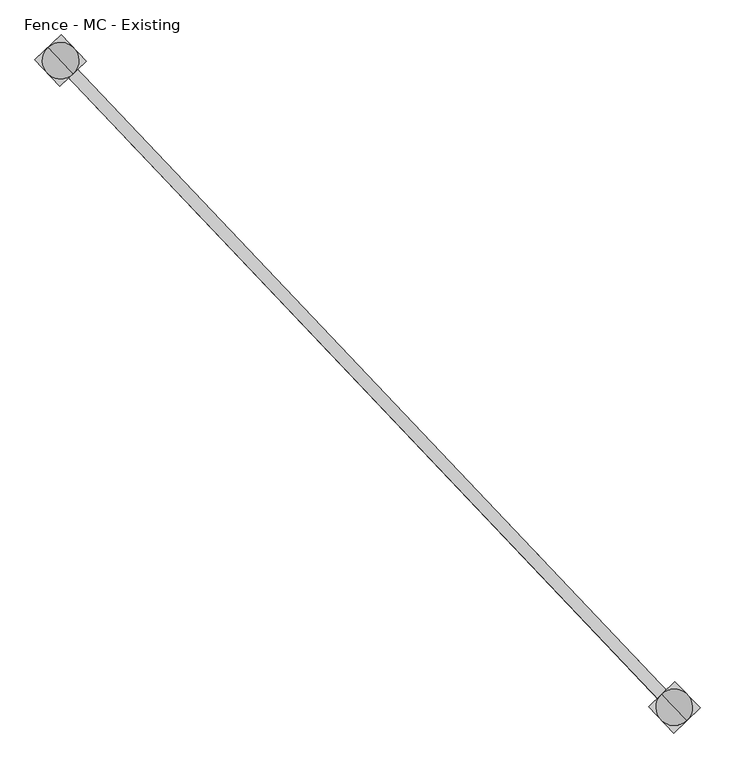
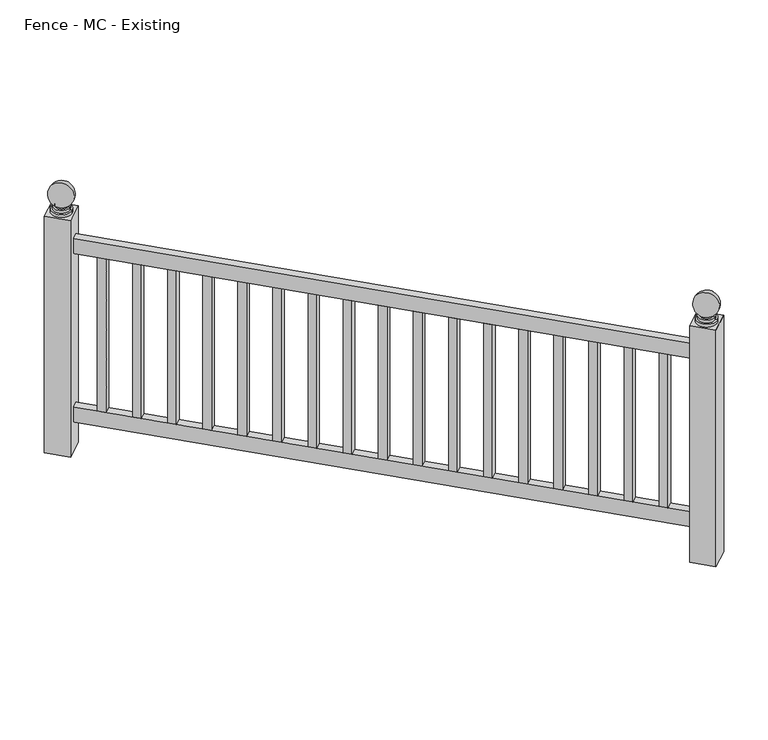
"""IFC4 building model written with IfcOpenShell, lengths in millimetres: railing geometry, Fence - MC - Existing."""

import ifcopenshell
import ifcopenshell.guid

model = None  # the IFC model being written
_history = None  # IfcOwnerHistory: only IFC2X3 demands one
_inside = {}  # id of a spatial element -> (the spatial element, [elements in it])
_under = {}  # id of a project, library or spatial element -> (it, [spatial elements below it])
_declared = {}  # id of a project -> (the project, [libraries it declares])
_typed = {}  # id of a type object -> (the type object, [elements of that type])
_made_of = {}  # id of a material, layer set ... -> (it, [elements and type objects made of it])


def new_model(schema):
    """Start an empty IFC model of exactly this schema.

    Asked for "IFC4X3", IfcOpenShell would pick the latest addendum, in which some entities
    have other attributes; the version numbers below select the first issue.
    IFC2X3 requires an IfcOwnerHistory on every rooted entity: one is made here for all.
    """
    global model, _history
    if schema == "IFC4X3":
        model = ifcopenshell.file(schema_version=(4, 3, 0, 0))
    else:
        model = ifcopenshell.file(schema=schema)
    _inside.clear()
    _under.clear()
    _declared.clear()
    _typed.clear()
    _made_of.clear()
    _history = None
    if model.schema == "IFC2X3":
        org = make("IfcOrganization", Name="unknown")
        user = make(
            "IfcPersonAndOrganization",
            ThePerson=make("IfcPerson", FamilyName="unknown"),
            TheOrganization=org,
        )
        app = make(
            "IfcApplication",
            ApplicationDeveloper=org,
            Version="unknown",
            ApplicationFullName="unknown",
            ApplicationIdentifier="unknown",
        )
        _history = make(
            "IfcOwnerHistory",
            OwningUser=user,
            OwningApplication=app,
            ChangeAction="ADDED",
            CreationDate=0,
        )
    return model


def make(cls, **values):
    """One entity of the class cls with the attributes given. An attribute that is None is left unset."""
    return model.create_entity(
        cls, **{name: value for name, value in values.items() if value is not None}
    )


def rooted(cls, **values):
    """An entity with a GlobalId (a new one), such as an element, a storey or a relation."""
    return make(cls, GlobalId=ifcopenshell.guid.new(), OwnerHistory=_history, **values)


def si_unit(unit_type, name, prefix=None):
    """IfcSIUnit, for example si_unit("LENGTHUNIT", "METRE", prefix="MILLI")."""
    return make("IfcSIUnit", UnitType=unit_type, Prefix=prefix, Name=name)


def assignment(units):
    """IfcUnitAssignment: the units of a project."""
    return None if units is None else make("IfcUnitAssignment", Units=units)


def point(xyz):
    """IfcCartesianPoint."""
    return None if xyz is None else make("IfcCartesianPoint", Coordinates=xyz)


def direction(xyz):
    """IfcDirection."""
    return None if xyz is None else make("IfcDirection", DirectionRatios=xyz)


def frame(location, z_axis=None, x_axis=None):
    """IfcAxis2Placement3D, a coordinate frame: its origin and axes. An axis left out is left unset."""
    return make(
        "IfcAxis2Placement3D",
        Location=point(location),
        Axis=direction(z_axis),
        RefDirection=direction(x_axis),
    )


def origin():
    """The frame at (0, 0, 0) with its axes left unset."""
    return frame((0.0, 0.0, 0.0))


def place(relative_to, where):
    """IfcLocalPlacement: puts the frame where relative to a parent placement (None: the world)."""
    return make(
        "IfcLocalPlacement", PlacementRelTo=relative_to, RelativePlacement=where
    )


def context(
    kind, dimensions, precision=None, world=None, true_north=None, identifier=None
):
    """IfcGeometricRepresentationContext, for example the 3D "Model" context."""
    return make(
        "IfcGeometricRepresentationContext",
        ContextIdentifier=identifier,
        ContextType=kind,
        CoordinateSpaceDimension=dimensions,
        Precision=precision,
        WorldCoordinateSystem=world,
        TrueNorth=true_north,
    )


def project(units=None, contexts=None):
    """IfcProject with its units and contexts."""
    return rooted(
        "IfcProject",
        Name="project",
        RepresentationContexts=contexts,
        UnitsInContext=assignment(units),
    )


def spatial(cls, under=None, at=None, **own):
    """A site, building, storey or space (cls), placed at a placement, below another one or the project."""
    s = rooted(cls, ObjectPlacement=at, **own)
    if under is not None:
        _under.setdefault(under.id(), (under, []))[1].append(s)
    return s


def polyline(points):
    """IfcPolyline through the points."""
    return make("IfcPolyline", Points=[point(p) for p in points])


def circle_curve(where, radius):
    """IfcCircle in the frame where."""
    return make("IfcCircle", Position=where, Radius=radius)


def ellipse_curve(where, semi_axis1, semi_axis2):
    """IfcEllipse in the frame where."""
    return make(
        "IfcEllipse", Position=where, SemiAxis1=semi_axis1, SemiAxis2=semi_axis2
    )


def trimmed(basis, trim1, trim2, sense, master):
    """IfcTrimmedCurve: the piece of a basis curve between two trims."""
    return make(
        "IfcTrimmedCurve",
        BasisCurve=basis,
        Trim1=trim1,
        Trim2=trim2,
        SenseAgreement=sense,
        MasterRepresentation=master,
    )


def outline(outer, holes=None, kind="AREA"):
    """IfcArbitraryClosedProfileDef: a profile drawn as a closed curve; with holes, ...WithVoids."""
    if holes is None:
        return make("IfcArbitraryClosedProfileDef", ProfileType=kind, OuterCurve=outer)
    return make(
        "IfcArbitraryProfileDefWithVoids",
        ProfileType=kind,
        OuterCurve=outer,
        InnerCurves=holes,
    )


def extrude(swept, where, along, depth):
    """IfcExtrudedAreaSolid: the profile swept, set in the frame where, extruded along a direction by depth."""
    return make(
        "IfcExtrudedAreaSolid",
        SweptArea=swept,
        Position=where,
        ExtrudedDirection=direction(along),
        Depth=depth,
    )


def shape(context_of_items, identifier, shape_type, items):
    """IfcShapeRepresentation: the items that make up one representation, for example the "Body"."""
    return make(
        "IfcShapeRepresentation",
        ContextOfItems=context_of_items,
        RepresentationIdentifier=identifier,
        RepresentationType=shape_type,
        Items=items,
    )


def source(mapping_origin, context_of_items, identifier, shape_type, items):
    """IfcRepresentationMap: a shape defined once, which mapped items show again and again."""
    return make(
        "IfcRepresentationMap",
        MappingOrigin=mapping_origin,
        MappedRepresentation=shape(context_of_items, identifier, shape_type, items),
    )


def transform(
    local_origin,
    x_axis=None,
    y_axis=None,
    z_axis=None,
    scale=None,
    scale2=None,
    scale3=None,
    uniform=True,
):
    """IfcCartesianTransformationOperator3D, or its non-uniform kind. x_axis, y_axis, z_axis: its Axis1, 2, 3."""
    if uniform:
        return make(
            "IfcCartesianTransformationOperator3D",
            Axis1=direction(x_axis),
            Axis2=direction(y_axis),
            LocalOrigin=point(local_origin),
            Scale=scale,
            Axis3=direction(z_axis),
        )
    return make(
        "IfcCartesianTransformationOperator3DnonUniform",
        Axis1=direction(x_axis),
        Axis2=direction(y_axis),
        LocalOrigin=point(local_origin),
        Scale=scale,
        Axis3=direction(z_axis),
        Scale2=scale2,
        Scale3=scale3,
    )


def mapped(mapping_source, mapping_target):
    """IfcMappedItem: shows the shape of a source again, moved by a transform."""
    return make(
        "IfcMappedItem", MappingSource=mapping_source, MappingTarget=mapping_target
    )


def made_of(thing, what):
    """Note that an element or type object is made of a material, layer set ...; save() writes the relation."""
    if what is not None:
        _made_of.setdefault(what.id(), (what, []))[1].append(thing)
    return thing


def element(
    cls,
    number,
    at=None,
    inside=None,
    cuts=None,
    type_object=None,
    material=None,
    context=None,
    identifier="Body",
    shape_type=None,
    held_by="IfcProductDefinitionShape",
    body=None,
    shapes=None,
    **own,
):
    """One element of the class cls, such as IfcWall. Its Tag is "e" and its number.

    at: its placement. inside: the storey or other place that contains it. cuts: it is an
    opening in that element (IfcRelVoidsElement). A single representation is given by context,
    identifier, shape_type and body (its items); several are given by shapes. held_by: the class
    of the entity that holds the representations. save() writes the other relations.
    """
    e = rooted(cls, Tag="e%d" % number, ObjectPlacement=at, **own)
    if body is not None:
        shapes = [shape(context, identifier, shape_type, body)]
    if shapes is not None:
        e.Representation = make(held_by, Representations=shapes)
    if inside is not None:
        _inside.setdefault(inside.id(), (inside, []))[1].append(e)
    if cuts is not None:
        rooted(
            "IfcRelVoidsElement", RelatingBuildingElement=cuts, RelatedOpeningElement=e
        )
    if type_object is not None:
        _typed.setdefault(type_object.id(), (type_object, []))[1].append(e)
    return made_of(e, material)


def aggregate(whole, parts):
    """IfcRelAggregates: a whole, such as a stair, and the parts it consists of."""
    return rooted("IfcRelAggregates", RelatingObject=whole, RelatedObjects=parts)


def save(model, path):
    """Write the relations noted so far, then the file.

    IfcRelAggregates (storeys below a building ...), IfcRelContainedInSpatialStructure (elements
    in a storey), IfcRelDefinesByType, IfcRelAssociatesMaterial and IfcRelDeclares: one each for
    every whole, place, type object, material and project.
    """
    for whole, parts in _under.values():
        aggregate(whole, parts)
    for where, things in _inside.values():
        rooted(
            "IfcRelContainedInSpatialStructure",
            RelatedElements=things,
            RelatingStructure=where,
        )
    for kind, things in _typed.values():
        rooted("IfcRelDefinesByType", RelatedObjects=things, RelatingType=kind)
    for what, things in _made_of.values():
        rooted("IfcRelAssociatesMaterial", RelatedObjects=things, RelatingMaterial=what)
    for by, libraries in _declared.values():
        rooted("IfcRelDeclares", RelatingContext=by, RelatedDefinitions=libraries)
    model.write(path)


def plane_surface(at):
    """IfcPlane: the flat surface through the origin of the frame at, square to its z axis."""
    return make("IfcPlane", Position=at)


def cylinder_surface(at, radius):
    """IfcCylindricalSurface: all points at the distance radius from the z axis of the frame at."""
    return make("IfcCylindricalSurface", Position=at, Radius=radius)


def revolved_surface(curve, axis_point, axis_direction):
    """IfcSurfaceOfRevolution: the curve turned about the line through axis_point along axis_direction."""
    return make(
        "IfcSurfaceOfRevolution",
        SweptCurve=make("IfcArbitraryOpenProfileDef", ProfileType="CURVE", Curve=curve),
        AxisPosition=make("IfcAxis1Placement", Location=point(axis_point), Axis=direction(axis_direction)),
    )


def advanced_brep(points, edges, surfaces, faces):
    """IfcAdvancedBrep: a solid bounded by faces that lie on surfaces and meet in shared edges.

    An edge is (start, end): straight between two places in points (the first is 0);
    or (start, end, curve); or (start, end, curve, False) where it runs against its curve.
    A face is (place in surfaces, loops), or (place, loops, False) where it looks against
    its surface's normal. A loop lists edges by number (the first is 1), with a minus sign
    where the edge is run from its end to its start. The first loop is the outer one.
    """
    corners = [point(p) for p in points]
    vertices = [make("IfcVertexPoint", VertexGeometry=c) for c in corners]
    made = []
    for start, end, *more in edges:
        made.append(
            make(
                "IfcEdgeCurve",
                EdgeStart=vertices[start],
                EdgeEnd=vertices[end],
                EdgeGeometry=more[0] if more else make("IfcPolyline", Points=[corners[start], corners[end]]),
                SameSense=more[1] if len(more) > 1 else True,
            )
        )
    hull = []
    for where, loops, *sense in faces:
        bounds = []
        for j, loop in enumerate(loops):
            ring = [make("IfcOrientedEdge", EdgeElement=made[abs(k) - 1], Orientation=k > 0) for k in loop]
            bounds.append(
                make(
                    "IfcFaceOuterBound" if j == 0 else "IfcFaceBound",
                    Bound=make("IfcEdgeLoop", EdgeList=ring),
                    Orientation=True,
                )
            )
        hull.append(make("IfcAdvancedFace", Bounds=bounds, FaceSurface=surfaces[where], SameSense=sense[0] if sense else True))
    return make("IfcAdvancedBrep", Outer=make("IfcClosedShell", CfsFaces=hull))


def fence_mc_existing_47779c34(model_context):
    return source(origin(), model_context, "Body", "SolidModel", [
        extrude(outline(polyline([(117284.4038622, 51863.6124569), (117265.9793531, 51846.1282507), (115980.8901958, 53200.3296639), (115999.3147048, 53217.8138701), (117284.4038622, 51863.6124569)])), frame((0.0, 0.0, 27660.6), z_axis=(0.0, 0.0, 1.0), x_axis=(1.0, 0.0, 0.0)), (0.0, 0.0, 1.0), 50.8),
        extrude(outline(polyline([(117284.4038622, 51863.6124569), (117265.9793531, 51846.1282507), (115980.8901958, 53200.3296639), (115999.3147048, 53217.8138701), (117284.4038622, 51863.6124569)])), frame((0.0, 0.0, 27089.1), z_axis=(0.0, 0.0, 1.0), x_axis=(1.0, 0.0, 0.0)), (0.0, 0.0, 1.0), 50.8),
        extrude(outline(polyline([(116021.1699626, 53194.7832339), (116002.7454536, 53177.2990276), (115985.2612473, 53195.7235367), (116003.6857564, 53213.2077429), (116021.1699626, 53194.7832339)])), frame((0.0, 0.0, 27139.9), z_axis=(0.0, 0.0, 1.0), x_axis=(1.0, 0.0, 0.0)), (0.0, 0.0, 1.0), 520.7),
        extrude(outline(polyline([(116091.1067875, 53121.0851978), (116072.6822784, 53103.6009915), (116055.1980722, 53122.0255006), (116073.6225812, 53139.5097068), (116091.1067875, 53121.0851978)])), frame((0.0, 0.0, 27139.9), z_axis=(0.0, 0.0, 1.0), x_axis=(1.0, 0.0, 0.0)), (0.0, 0.0, 1.0), 520.7),
        extrude(outline(polyline([(116161.0436124, 53047.3871617), (116142.6191033, 53029.9029554), (116125.1348971, 53048.3274645), (116143.5594061, 53065.8116707), (116161.0436124, 53047.3871617)])), frame((0.0, 0.0, 27139.9), z_axis=(0.0, 0.0, 1.0), x_axis=(1.0, 0.0, 0.0)), (0.0, 0.0, 1.0), 520.7),
        extrude(outline(polyline([(116230.9804372, 52973.6891256), (116212.5559282, 52956.2049193), (116195.071722, 52974.6294284), (116213.496231, 52992.1136346), (116230.9804372, 52973.6891256)])), frame((0.0, 0.0, 27139.9), z_axis=(0.0, 0.0, 1.0), x_axis=(1.0, 0.0, 0.0)), (0.0, 0.0, 1.0), 520.7),
        extrude(outline(polyline([(116300.9172621, 52899.9910895), (116282.4927531, 52882.5068832), (116265.0085469, 52900.9313923), (116283.4330559, 52918.4155985), (116300.9172621, 52899.9910895)])), frame((0.0, 0.0, 27139.9), z_axis=(0.0, 0.0, 1.0), x_axis=(1.0, 0.0, 0.0)), (0.0, 0.0, 1.0), 520.7),
        extrude(outline(polyline([(116370.854087, 52826.2930534), (116352.429578, 52808.8088472), (116334.9453718, 52827.2333562), (116353.3698808, 52844.7175624), (116370.854087, 52826.2930534)])), frame((0.0, 0.0, 27139.9), z_axis=(0.0, 0.0, 1.0), x_axis=(1.0, 0.0, 0.0)), (0.0, 0.0, 1.0), 520.7),
        extrude(outline(polyline([(116440.7909119, 52752.5950173), (116422.3664029, 52735.1108111), (116404.8821967, 52753.5353201), (116423.3067057, 52771.0195263), (116440.7909119, 52752.5950173)])), frame((0.0, 0.0, 27139.9), z_axis=(0.0, 0.0, 1.0), x_axis=(1.0, 0.0, 0.0)), (0.0, 0.0, 1.0), 520.7),
        extrude(outline(polyline([(116510.7277368, 52678.8969812), (116492.3032278, 52661.412775), (116474.8190216, 52679.837284), (116493.2435306, 52697.3214902), (116510.7277368, 52678.8969812)])), frame((0.0, 0.0, 27139.9), z_axis=(0.0, 0.0, 1.0), x_axis=(1.0, 0.0, 0.0)), (0.0, 0.0, 1.0), 520.7),
        extrude(outline(polyline([(116580.6645617, 52605.1989451), (116562.2400527, 52587.7147389), (116544.7558465, 52606.1392479), (116563.1803555, 52623.6234541), (116580.6645617, 52605.1989451)])), frame((0.0, 0.0, 27139.9), z_axis=(0.0, 0.0, 1.0), x_axis=(1.0, 0.0, 0.0)), (0.0, 0.0, 1.0), 520.7),
        extrude(outline(polyline([(116650.6013866, 52531.500909), (116632.1768776, 52514.0167028), (116614.6926713, 52532.4412118), (116633.1171804, 52549.925418), (116650.6013866, 52531.500909)])), frame((0.0, 0.0, 27139.9), z_axis=(0.0, 0.0, 1.0), x_axis=(1.0, 0.0, 0.0)), (0.0, 0.0, 1.0), 520.7),
        extrude(outline(polyline([(116720.5382115, 52457.8028729), (116702.1137025, 52440.3186667), (116684.6294962, 52458.7431757), (116703.0540053, 52476.2273819), (116720.5382115, 52457.8028729)])), frame((0.0, 0.0, 27139.9), z_axis=(0.0, 0.0, 1.0), x_axis=(1.0, 0.0, 0.0)), (0.0, 0.0, 1.0), 520.7),
        extrude(outline(polyline([(116790.4750364, 52384.1048368), (116772.0505273, 52366.6206306), (116754.5663211, 52385.0451396), (116772.9908302, 52402.5293458), (116790.4750364, 52384.1048368)])), frame((0.0, 0.0, 27139.9), z_axis=(0.0, 0.0, 1.0), x_axis=(1.0, 0.0, 0.0)), (0.0, 0.0, 1.0), 520.7),
        extrude(outline(polyline([(116860.4118613, 52310.4068007), (116841.9873522, 52292.9225945), (116824.503146, 52311.3471035), (116842.927655, 52328.8313097), (116860.4118613, 52310.4068007)])), frame((0.0, 0.0, 27139.9), z_axis=(0.0, 0.0, 1.0), x_axis=(1.0, 0.0, 0.0)), (0.0, 0.0, 1.0), 520.7),
        extrude(outline(polyline([(116930.3486862, 52236.7087646), (116911.9241771, 52219.2245584), (116894.4399709, 52237.6490674), (116912.8644799, 52255.1332736), (116930.3486862, 52236.7087646)])), frame((0.0, 0.0, 27139.9), z_axis=(0.0, 0.0, 1.0), x_axis=(1.0, 0.0, 0.0)), (0.0, 0.0, 1.0), 520.7),
        extrude(outline(polyline([(117000.285511, 52163.0107285), (116981.861002, 52145.5265223), (116964.3767958, 52163.9510313), (116982.8013048, 52181.4352375), (117000.285511, 52163.0107285)])), frame((0.0, 0.0, 27139.9), z_axis=(0.0, 0.0, 1.0), x_axis=(1.0, 0.0, 0.0)), (0.0, 0.0, 1.0), 520.7),
        extrude(outline(polyline([(117070.2223359, 52089.3126924), (117051.7978269, 52071.8284862), (117034.3136207, 52090.2529952), (117052.7381297, 52107.7372015), (117070.2223359, 52089.3126924)])), frame((0.0, 0.0, 27139.9), z_axis=(0.0, 0.0, 1.0), x_axis=(1.0, 0.0, 0.0)), (0.0, 0.0, 1.0), 520.7),
        extrude(outline(polyline([(117140.1591608, 52015.6146563), (117121.7346518, 51998.1304501), (117104.2504456, 52016.5549591), (117122.6749546, 52034.0391654), (117140.1591608, 52015.6146563)])), frame((0.0, 0.0, 27139.9), z_axis=(0.0, 0.0, 1.0), x_axis=(1.0, 0.0, 0.0)), (0.0, 0.0, 1.0), 520.7),
        extrude(outline(polyline([(117210.0959857, 51941.9166202), (117191.6714767, 51924.432414), (117174.1872705, 51942.856923), (117192.6117795, 51960.3411293), (117210.0959857, 51941.9166202)])), frame((0.0, 0.0, 27139.9), z_axis=(0.0, 0.0, 1.0), x_axis=(1.0, 0.0, 0.0)), (0.0, 0.0, 1.0), 520.7),
        extrude(outline(polyline([(117280.0328106, 51868.2185841), (117261.6083016, 51850.7343779), (117244.1240954, 51869.1588869), (117262.5486044, 51886.6430932), (117280.0328106, 51868.2185841)])), frame((0.0, 0.0, 27139.9), z_axis=(0.0, 0.0, 1.0), x_axis=(1.0, 0.0, 0.0)), (0.0, 0.0, 1.0), 520.7),
        advanced_brep(
        [(115968.2471925, 53232.1024033, 27787.6), (116011.9577081, 53186.0411307, 27787.6), (115990.1024503, 53209.071767, 27787.6), (115968.2471925, 53232.1024033, 27797.125), (116011.9577081, 53186.0411307, 27797.125), (115972.6182441, 53227.496276, 27797.125), (116007.5866565, 53190.647258, 27797.125), (115972.6182441, 53227.496276, 27806.65), (116007.5866565, 53190.647258, 27806.65), (115976.9892956, 53222.8901488, 27806.65), (116003.215605, 53195.2533853, 27806.65), (115976.9892956, 53222.8901488, 27811.7544321), (116003.215605, 53195.2533853, 27811.7544321), (115990.1024503, 53209.071767, 27882.85)],
        [
            (0, 1, circle_curve(frame((115990.1024503, 53209.071767, 27787.6), z_axis=(0.0, 0.0, -1.0), x_axis=(0.6883545756937386, -0.7253743710123023, 0.0)), 31.75)),
            (1, 2),
            (2, 0),
            (1, 0, circle_curve(frame((115990.1024503, 53209.071767, 27787.6), z_axis=(0.0, 0.0, -1.0), x_axis=(0.6883545756937386, -0.7253743710123023, 0.0)), 31.75)),
            (0, 3),
            (3, 4, circle_curve(frame((115990.1024503, 53209.071767, 27797.125), z_axis=(0.0, 0.0, -1.0), x_axis=(0.6883545756937386, -0.7253743710123023, 0.0)), 31.75)),
            (4, 1),
            (4, 3, circle_curve(frame((115990.1024503, 53209.071767, 27797.125), z_axis=(0.0, 0.0, -1.0), x_axis=(0.6883545756937386, -0.7253743710123023, 0.0)), 31.75)),
            (3, 5),
            (5, 6, circle_curve(frame((115990.1024503, 53209.071767, 27797.125), z_axis=(0.0, 0.0, -1.0), x_axis=(0.6883545756937386, -0.7253743710123023, 0.0)), 25.4)),
            (6, 4),
            (6, 5, circle_curve(frame((115990.1024503, 53209.071767, 27797.125), z_axis=(0.0, 0.0, -1.0), x_axis=(0.6883545756937386, -0.7253743710123023, 0.0)), 25.4)),
            (5, 7),
            (7, 8, circle_curve(frame((115990.1024503, 53209.071767, 27806.65), z_axis=(0.0, 0.0, -1.0), x_axis=(0.6883545756937386, -0.7253743710123023, 0.0)), 25.4)),
            (8, 6),
            (8, 7, circle_curve(frame((115990.1024503, 53209.071767, 27806.65), z_axis=(0.0, 0.0, -1.0), x_axis=(0.6883545756937386, -0.7253743710123023, 0.0)), 25.4)),
            (7, 9),
            (9, 10, circle_curve(frame((115990.1024503, 53209.071767, 27806.65), z_axis=(0.0, 0.0, -1.0), x_axis=(0.6883545756937386, -0.7253743710123023, 0.0)), 19.05)),
            (10, 8),
            (10, 9, circle_curve(frame((115990.1024503, 53209.071767, 27806.65), z_axis=(0.0, 0.0, -1.0), x_axis=(0.6883545756937386, -0.7253743710123023, 0.0)), 19.05)),
            (9, 11),
            (11, 12, circle_curve(frame((115990.1024503, 53209.071767, 27811.7544321), z_axis=(0.0, 0.0, -1.0), x_axis=(0.6883545756937386, -0.7253743710123023, 0.0)), 19.05)),
            (12, 10),
            (12, 11, circle_curve(frame((115990.1024503, 53209.071767, 27811.7544321), z_axis=(0.0, 0.0, -1.0), x_axis=(0.6883545756937386, -0.7253743710123023, 0.0)), 19.05)),
            (11, 13, circle_curve(frame((115990.1024503, 53209.071767, 27844.75), z_axis=(0.7253743710123045, 0.6883545756937363, 0.0), x_axis=(-0.6883545756937363, 0.7253743710123045, 0.0)), 38.1)),
            (13, 12, circle_curve(frame((115990.1024503, 53209.071767, 27844.75), z_axis=(0.7253743710123023, 0.6883545756937386, 0.0), x_axis=(0.6883545756937386, -0.7253743710123023, 0.0)), 38.1)),
        ],
        [
            plane_surface(frame((115990.1024503, 53209.071767, 27787.6), z_axis=(0.0, 0.0, -1.0), x_axis=(0.6883545756937386, -0.7253743710123023, 0.0))),
            cylinder_surface(frame((115990.1024503, 53209.071767, 27787.6), z_axis=(0.0, 0.0, 1.0), x_axis=(0.6883545756937386, -0.7253743710123023, 0.0)), 31.75),
            plane_surface(frame((115990.1024503, 53209.071767, 27797.125), z_axis=(0.0, 0.0, 1.0), x_axis=(0.6883545756937386, -0.7253743710123023, 0.0))),
            cylinder_surface(frame((115990.1024503, 53209.071767, 27787.6), z_axis=(0.0, 0.0, 1.0), x_axis=(0.6883545756937386, -0.7253743710123023, 0.0)), 25.4),
            plane_surface(frame((115990.1024503, 53209.071767, 27806.65), z_axis=(0.0, 0.0, 1.0), x_axis=(0.6883545756937386, -0.7253743710123023, 0.0))),
            cylinder_surface(frame((115990.1024503, 53209.071767, 27787.6), z_axis=(0.0, 0.0, 1.0), x_axis=(0.6883545756937386, -0.7253743710123023, 0.0)), 19.05),
            revolved_surface(trimmed(ellipse_curve(frame((115990.1024503, 53209.071767, 27844.75), z_axis=(-0.7253743710123023, -0.6883545756937386, 0.0), x_axis=(0.6883545756937386, -0.7253743710123023, 0.0)), 38.1, 38.1), [point((116003.215605, 53195.2533853, 27811.7544321))], [point((115990.1024503, 53209.071767, 27882.85))], True, "CARTESIAN"), (115990.1024503, 53209.071767, 27787.6), (0.0, 0.0, 1.0)),
        ],
        [
            (0, [[1, 2, 3]]),
            (0, [[-2, 4, -3]]),
            (1, [[-1, 5, 6, 7]]),
            (1, [[-4, -7, 8, -5]]),
            (2, [[-6, 9, 10, 11]]),
            (2, [[-8, -11, 12, -9]]),
            (3, [[-10, 13, 14, 15]]),
            (3, [[-12, -15, 16, -13]]),
            (4, [[-14, 17, 18, 19]]),
            (4, [[-16, -19, 20, -17]]),
            (5, [[-18, 21, 22, 23]]),
            (5, [[-20, -23, 24, -21]]),
            (6, [[-22, 25, 26]]),
            (6, [[-24, -26, -25]]),
        ],
    ),
        extrude(outline(polyline([(115988.6919961, 53155.2086941), (115936.2393774, 53210.4822212), (115991.5129045, 53262.9348399), (116043.9655232, 53207.6613128), (115988.6919961, 53155.2086941)])), frame((0.0, 0.0, 26987.5), z_axis=(0.0, 0.0, 1.0), x_axis=(1.0, 0.0, 0.0)), (0.0, 0.0, 1.0), 800.1),
        advanced_brep(
        [(117253.3363499, 51877.9009901, 27787.6), (117297.0468654, 51831.8397175, 27787.6), (117275.1916077, 51854.8703538, 27787.6), (117253.3363499, 51877.9009901, 27797.125), (117297.0468654, 51831.8397175, 27797.125), (117257.7074014, 51873.2948628, 27797.125), (117292.6758139, 51836.4458448, 27797.125), (117257.7074014, 51873.2948628, 27806.65), (117292.6758139, 51836.4458448, 27806.65), (117262.078453, 51868.6887355, 27806.65), (117288.3047623, 51841.051972, 27806.65), (117262.078453, 51868.6887355, 27811.7544321), (117288.3047623, 51841.051972, 27811.7544321), (117275.1916077, 51854.8703538, 27882.85)],
        [
            (0, 1, circle_curve(frame((117275.1916077, 51854.8703538, 27787.6), z_axis=(0.0, 0.0, -1.0), x_axis=(0.6883545756937386, -0.7253743710123023, 0.0)), 31.75)),
            (1, 2),
            (2, 0),
            (1, 0, circle_curve(frame((117275.1916077, 51854.8703538, 27787.6), z_axis=(0.0, 0.0, -1.0), x_axis=(0.6883545756937386, -0.7253743710123023, 0.0)), 31.75)),
            (0, 3),
            (3, 4, circle_curve(frame((117275.1916077, 51854.8703538, 27797.125), z_axis=(0.0, 0.0, -1.0), x_axis=(0.6883545756937386, -0.7253743710123023, 0.0)), 31.75)),
            (4, 1),
            (4, 3, circle_curve(frame((117275.1916077, 51854.8703538, 27797.125), z_axis=(0.0, 0.0, -1.0), x_axis=(0.6883545756937386, -0.7253743710123023, 0.0)), 31.75)),
            (3, 5),
            (5, 6, circle_curve(frame((117275.1916077, 51854.8703538, 27797.125), z_axis=(0.0, 0.0, -1.0), x_axis=(0.6883545756937386, -0.7253743710123023, 0.0)), 25.4)),
            (6, 4),
            (6, 5, circle_curve(frame((117275.1916077, 51854.8703538, 27797.125), z_axis=(0.0, 0.0, -1.0), x_axis=(0.6883545756937386, -0.7253743710123023, 0.0)), 25.4)),
            (5, 7),
            (7, 8, circle_curve(frame((117275.1916077, 51854.8703538, 27806.65), z_axis=(0.0, 0.0, -1.0), x_axis=(0.6883545756937386, -0.7253743710123023, 0.0)), 25.4)),
            (8, 6),
            (8, 7, circle_curve(frame((117275.1916077, 51854.8703538, 27806.65), z_axis=(0.0, 0.0, -1.0), x_axis=(0.6883545756937386, -0.7253743710123023, 0.0)), 25.4)),
            (7, 9),
            (9, 10, circle_curve(frame((117275.1916077, 51854.8703538, 27806.65), z_axis=(0.0, 0.0, -1.0), x_axis=(0.6883545756937386, -0.7253743710123023, 0.0)), 19.05)),
            (10, 8),
            (10, 9, circle_curve(frame((117275.1916077, 51854.8703538, 27806.65), z_axis=(0.0, 0.0, -1.0), x_axis=(0.6883545756937386, -0.7253743710123023, 0.0)), 19.05)),
            (9, 11),
            (11, 12, circle_curve(frame((117275.1916077, 51854.8703538, 27811.7544321), z_axis=(0.0, 0.0, -1.0), x_axis=(0.6883545756937386, -0.7253743710123023, 0.0)), 19.05)),
            (12, 10),
            (12, 11, circle_curve(frame((117275.1916077, 51854.8703538, 27811.7544321), z_axis=(0.0, 0.0, -1.0), x_axis=(0.6883545756937386, -0.7253743710123023, 0.0)), 19.05)),
            (11, 13, circle_curve(frame((117275.1916077, 51854.8703538, 27844.75), z_axis=(0.7253743710123045, 0.6883545756937363, 0.0), x_axis=(-0.6883545756937363, 0.7253743710123045, 0.0)), 38.1)),
            (13, 12, circle_curve(frame((117275.1916077, 51854.8703538, 27844.75), z_axis=(0.7253743710123023, 0.6883545756937386, 0.0), x_axis=(0.6883545756937386, -0.7253743710123023, 0.0)), 38.1)),
        ],
        [
            plane_surface(frame((117275.1916077, 51854.8703538, 27787.6), z_axis=(0.0, 0.0, -1.0), x_axis=(0.6883545756937386, -0.7253743710123023, 0.0))),
            cylinder_surface(frame((117275.1916077, 51854.8703538, 27787.6), z_axis=(0.0, 0.0, 1.0), x_axis=(0.6883545756937386, -0.7253743710123023, 0.0)), 31.75),
            plane_surface(frame((117275.1916077, 51854.8703538, 27797.125), z_axis=(0.0, 0.0, 1.0), x_axis=(0.6883545756937386, -0.7253743710123023, 0.0))),
            cylinder_surface(frame((117275.1916077, 51854.8703538, 27787.6), z_axis=(0.0, 0.0, 1.0), x_axis=(0.6883545756937386, -0.7253743710123023, 0.0)), 25.4),
            plane_surface(frame((117275.1916077, 51854.8703538, 27806.65), z_axis=(0.0, 0.0, 1.0), x_axis=(0.6883545756937386, -0.7253743710123023, 0.0))),
            cylinder_surface(frame((117275.1916077, 51854.8703538, 27787.6), z_axis=(0.0, 0.0, 1.0), x_axis=(0.6883545756937386, -0.7253743710123023, 0.0)), 19.05),
            revolved_surface(trimmed(ellipse_curve(frame((117275.1916077, 51854.8703538, 27844.75), z_axis=(-0.7253743710123023, -0.6883545756937386, 0.0), x_axis=(0.6883545756937386, -0.7253743710123023, 0.0)), 38.1, 38.1), [point((117288.3047623, 51841.051972, 27811.7544321))], [point((117275.1916077, 51854.8703538, 27882.85))], True, "CARTESIAN"), (117275.1916077, 51854.8703538, 27787.6), (0.0, 0.0, 1.0)),
        ],
        [
            (0, [[1, 2, 3]]),
            (0, [[-2, 4, -3]]),
            (1, [[-1, 5, 6, 7]]),
            (1, [[-4, -7, 8, -5]]),
            (2, [[-6, 9, 10, 11]]),
            (2, [[-8, -11, 12, -9]]),
            (3, [[-10, 13, 14, 15]]),
            (3, [[-12, -15, 16, -13]]),
            (4, [[-14, 17, 18, 19]]),
            (4, [[-16, -19, 20, -17]]),
            (5, [[-18, 21, 22, 23]]),
            (5, [[-20, -23, 24, -21]]),
            (6, [[-22, 25, 26]]),
            (6, [[-24, -26, -25]]),
        ],
    ),
        extrude(outline(polyline([(117273.7811534, 51801.0072809), (117221.3285348, 51856.280808), (117276.6020619, 51908.7334266), (117329.0546805, 51853.4598996), (117273.7811534, 51801.0072809)])), frame((0.0, 0.0, 26987.5), z_axis=(0.0, 0.0, 1.0), x_axis=(1.0, 0.0, 0.0)), (0.0, 0.0, 1.0), 800.1),
    ])


if __name__ == "__main__":
    model = new_model("IFC4")
    model_context = context("Model", 3, world=origin())
    ifc_project = project(units=[si_unit("LENGTHUNIT", "METRE", prefix="MILLI")], contexts=[model_context])
    site = spatial("IfcSite", under=ifc_project)
    building = spatial("IfcBuilding", under=site)
    placement = place(None, origin())
    fence_mc_existing_shape = fence_mc_existing_47779c34(model_context)
    element("IfcRailing", 1, ObjectType="Fence - MC - Existing", at=placement, inside=building, context=model_context, shape_type="MappedRepresentation", body=[
        mapped(fence_mc_existing_shape, transform((0.0, 0.0, 0.0), x_axis=(1.0, 0.0, 0.0), y_axis=(0.0, 1.0, 0.0), z_axis=(0.0, 0.0, 1.0))),
    ])
    save(model, "model.ifc")
